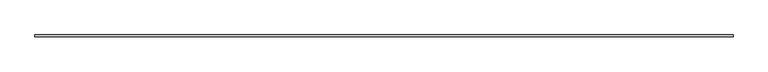
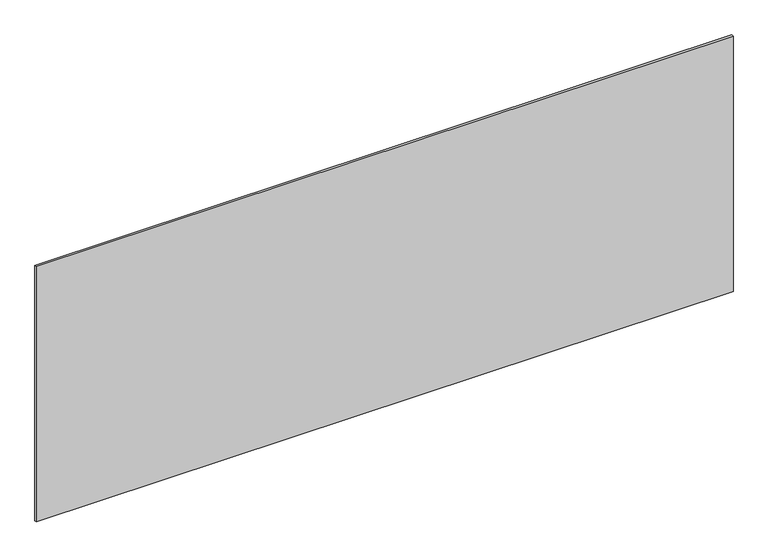
"""IFC4 building model written with IfcOpenShell, lengths in millimetres: plate geometry."""

from ifc_helpers import new_model, si_unit, origin, origin_with_axes, place, context, project, spatial, polyline, outline, extrude, source, transform, mapped, element, save


def plate_c2116086(model_context):
    return source(origin(), model_context, "Body", "SweptSolid", [
        extrude(outline(polyline([(1697.5, -5.0), (-1697.5, -5.0), (-1697.5, 5.0), (1697.5, 5.0), (1697.5, -5.0)])), origin_with_axes(), (0.0, 0.0, 1.0), 1315.5633458),
    ])


if __name__ == "__main__":
    model = new_model("IFC4")
    model_context = context("Model", 3, world=origin())
    ifc_project = project(units=[si_unit("LENGTHUNIT", "METRE", prefix="MILLI")], contexts=[model_context])
    site = spatial("IfcSite", under=ifc_project)
    building = spatial("IfcBuilding", under=site)
    placement = place(None, origin())
    plate_shape = plate_c2116086(model_context)
    element("IfcPlate", 1, at=placement, inside=building, context=model_context, shape_type="MappedRepresentation", body=[
        mapped(plate_shape, transform((0.0, 0.0, 0.0), x_axis=(1.0, 0.0, 0.0), y_axis=(0.0, 1.0, 0.0), z_axis=(0.0, 0.0, 1.0))),
    ])
    save(model, "model.ifc")
